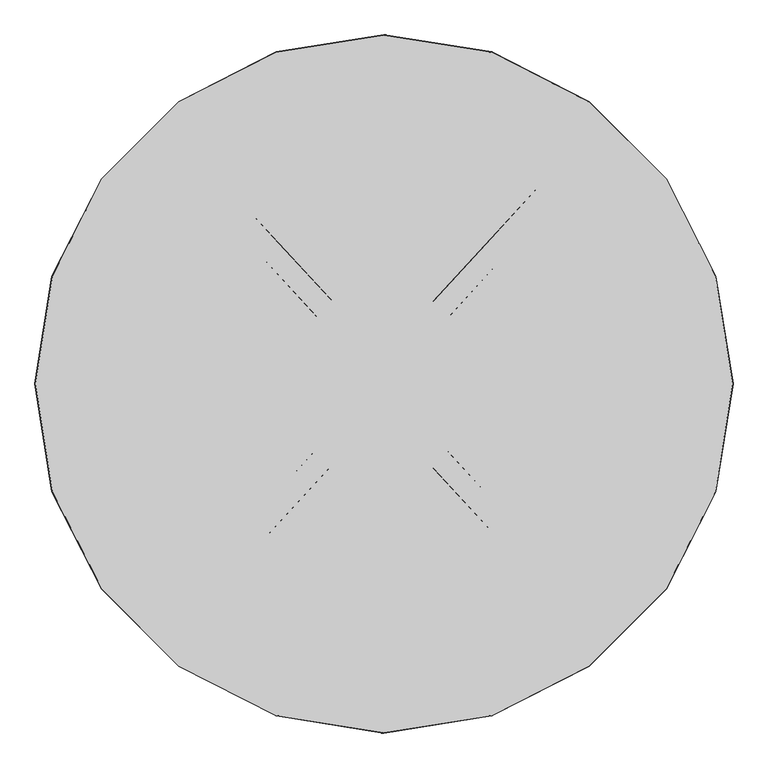
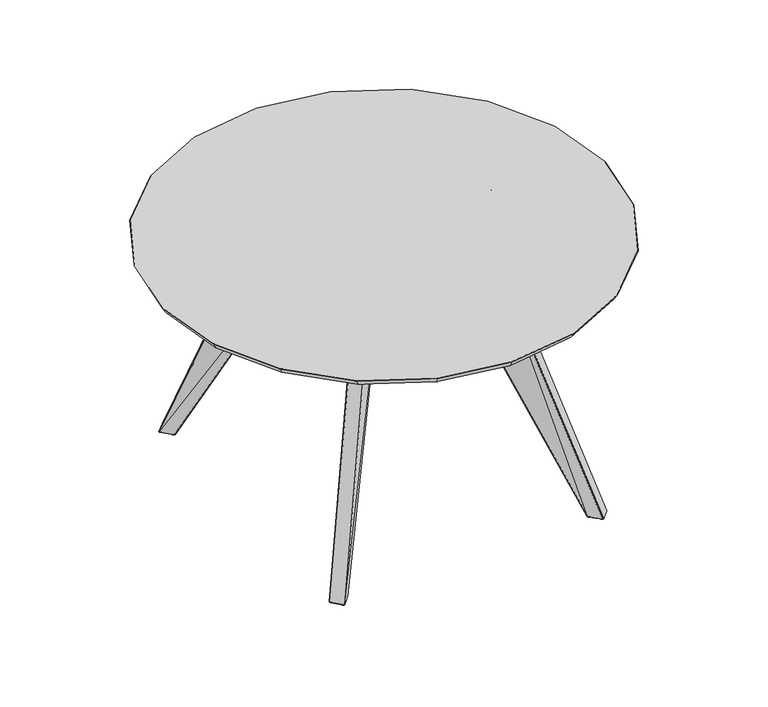
"""IFC4 building model written with IfcOpenShell, lengths in millimetres: furniture geometry."""

from ifc_helpers import new_model, si_unit, origin, place, context, project, spatial, triangles, source, transform, mapped, element, save


def furniture_b3282ecd(model_context):
    return source(origin(), model_context, "Body", "Tessellation", [
        triangles([(218.5617864, -104.291463, 682.6421259), (81.3162121, -104.2914721, 682.6421986), (81.3162121, -104.2914721, 684.3689827), (218.5617864, -104.291463, 684.36891), (76.8704169, -109.1340998, 682.6421986), (76.8704351, -255.8863795, 682.6421986), (76.8704351, -255.8863795, 684.3689827), (76.8704169, -109.1340998, 684.3689827), (81.3162211, -260.72898, 682.6421986), (81.3162211, -255.8863795, 681.1887262), (218.5618046, -255.8863432, 681.1886536), (223.0074635, -255.8863432, 682.6421259), (218.5618046, -260.7289618, 682.6421259), (81.3162121, -109.1340998, 681.1887262), (218.5617864, -109.1340817, 681.1886536), (223.0074453, -109.1340817, 682.6421259), (81.3162211, -260.72898, 684.3689827), (81.3162211, -255.8863795, 685.8223824), (223.0074635, -255.8863432, 684.36891), (218.5618046, -255.8863432, 685.8223097), (218.5618046, -260.7289618, 684.36891), (81.3162121, -109.1340998, 685.8223824), (218.5617864, -109.1340817, 685.8223097), (223.0074453, -109.1340817, 684.36891), (-225.2514944, -255.8863977, 681.1887262), (-225.2515125, -109.1341271, 681.1887262), (-88.0058564, -109.134118, 681.1887262), (-88.0058383, -255.8863795, 681.1887262), (-225.2514944, -255.8863977, 685.822455), (-88.0058383, -255.8863795, 685.8223824), (-88.0058564, -109.134118, 685.8223824), (-225.2515125, -109.1341271, 685.822455), (-225.2514944, -260.7290164, 682.6422712), (-88.0058383, -260.72898, 682.6421986), (-88.0058383, -260.72898, 684.3689827), (-225.2514944, -260.7290164, 684.3690554), (-83.5601158, -255.8863795, 682.6421986), (-83.560134, -109.134118, 682.6421986), (-83.560134, -109.134118, 684.3689827), (-83.5601158, -255.8863795, 684.3689827), (-88.0058564, -104.2914903, 682.6421986), (-225.2515125, -104.2915084, 682.6422712), (-225.2515125, -104.2915084, 684.3690554), (-88.0058564, -104.2914903, 684.3689827), (-229.6971896, -109.1341271, 682.6422712), (-229.6971714, -255.8863977, 682.6422712), (-229.6971714, -255.8863977, 684.3690554), (-229.6971896, -109.1341271, 684.3690554), (-225.2515489, 112.8658306, 681.1887262), (-225.2515489, 259.6181103, 681.1887262), (-88.0058837, 259.6181285, 681.1887262), (-88.0058746, 112.8658397, 681.1887262), (-225.2515489, 112.8658306, 685.822455), (-88.0058746, 112.8658397, 685.8223824), (-88.0058837, 259.6181285, 685.8223824), (-225.2515489, 259.6181103, 685.822455), (-225.2515489, 108.023212, 682.6422712), (-88.0058746, 108.0232301, 682.6421986), (-88.0058746, 108.0232301, 684.3689827), (-225.2515489, 108.023212, 684.3690554), (-83.560143, 112.8658397, 682.6421986), (-83.5601612, 259.6181285, 682.6421986), (-83.5601612, 259.6181285, 684.3689827), (-83.560143, 112.8658397, 684.3689827), (-88.0058837, 264.4607471, 682.6421986), (-225.2515489, 264.4607108, 682.6422712), (-225.2515489, 264.4607108, 684.3690554), (-88.0058837, 264.4607471, 684.3689827), (-229.6972259, 259.6181103, 682.6422712), (-229.6972077, 112.8658306, 682.6422712), (-229.6972077, 112.8658306, 684.3690554), (-229.6972259, 259.6181103, 684.3690554), (81.3161939, 112.8658579, 681.1887262), (81.3161848, 259.6181285, 681.1887262), (218.5617319, 259.6181648, 681.1886536), (218.5617501, 112.8658761, 681.1886536), (81.3161939, 112.8658579, 685.8223824), (218.5617501, 112.8658761, 685.8223097), (218.5617319, 259.6181648, 685.8223097), (81.3161848, 259.6181285, 685.8223824), (81.3161939, 108.0232392, 682.6421986), (218.5617501, 108.0232574, 682.6421259), (218.5617501, 108.0232574, 684.36891), (81.3161939, 108.0232392, 684.3689827), (223.007409, 112.8658761, 682.6421259), (223.0073908, 259.6181648, 682.6421259), (223.0073908, 259.6181648, 684.36891), (223.007409, 112.8658761, 684.36891), (218.5617319, 264.4607653, 682.6421259), (81.3161848, 264.4607471, 682.6421986), (81.3161848, 264.4607471, 684.3689827), (218.5617319, 264.4607653, 684.36891), (76.8703897, 259.6181285, 682.6421986), (76.8704078, 112.8658579, 682.6421986), (76.8704078, 112.8658579, 684.3689827), (76.8703897, 259.6181285, 684.3689827), (360.2226345, -391.3841409, -7.58e-05), (386.7160392, -418.8198572, -8.25e-05), (362.0495215, -445.154587, -7.65e-05), (335.3500248, -418.72059, -6.98e-05), (113.1784206, -121.6784377, 681.9963804), (88.2864716, -149.0361519, 681.9963804), (182.5746117, -250.7434703, 681.9963078), (207.2255053, -224.4259634, 681.9963078), (358.5453386, -389.6175336, 1.4253847), (333.6460954, -416.9832324, 1.4253906), (87.664471, -148.3721299, 680.5709587), (112.5636325, -121.0064947, 680.5709587), (333.7435822, -419.5214132, 1.6018948), (360.4468577, -445.7989154, 1.6004874), (181.7628516, -252.3549817, 680.3943707), (87.8941082, -151.0452226, 680.394298), (362.8396623, -445.9041779, 1.5017815), (387.4832162, -419.5941559, 1.5017756), (208.7519201, -226.0896699, 680.4943645), (184.1082935, -252.3996011, 680.4943645), (387.3888906, -417.0330113, 1.6014345), (360.8864385, -389.6901672, 1.6018287), (115.0352749, -121.2157207, 680.3944433), (208.7071917, -223.5881693, 680.3943707), (335.9082756, 415.4114897, -6.64e-05), (361.095619, 444.2698299, -7.25e-05), (385.2723046, 417.4013391, -7.86e-05), (361.0044545, 388.318703, -7.27e-05), (88.305066, 146.3147973, 681.9963804), (113.4207659, 119.2008273, 681.9963804), (206.7932279, 221.9056957, 681.9963078), (182.6324751, 248.7569273, 681.9963078), (334.2864269, 413.584421, 1.425394), (359.4094937, 386.4626753, 1.4253877), (112.8112191, 118.5233523, 680.5709587), (87.6881251, 145.645098, 680.5709587), (361.7397294, 386.5688461, 1.6018914), (385.8637656, 415.6556972, 1.6004847), (208.2726615, 221.0214473, 680.3943707), (115.2652572, 118.7734642, 680.394298), (385.9604167, 418.2620061, 1.5017794), (361.8064041, 445.1054257, 1.5017857), (184.1596893, 250.4197074, 680.4943645), (208.3136111, 223.5762696, 680.4943645), (359.4551305, 445.0027794, 1.6014452), (334.3530653, 416.134556, 1.6018386), (87.8802554, 148.3375027, 680.3944433), (181.863227, 250.3710367, 680.3943707), (-344.5735897, -416.4143354, 9.83e-05), (-369.7608604, -445.2726394, 0.0001045), (-393.9373644, -418.4041122, 0.0001105), (-369.6696959, -389.3214397, 0.0001047), (-96.9698896, -147.3174796, 681.9963804), (-122.0855259, -120.2036004, 681.9963804), (-215.4583058, -222.9084506, 681.9963804), (-191.2974259, -249.7596459, 681.9963804), (-342.9516684, -414.5871214, 1.4255578), (-368.0747352, -387.465412, 1.4255644), (-121.4760064, -119.5260982, 680.5709587), (-96.3530213, -146.6477803, 680.5709587), (-370.4049345, -387.5715829, 1.6020691), (-394.5289707, -416.6582886, 1.6006742), (-216.937685, -222.0241841, 680.3944433), (-123.9300445, -119.776201, 680.3943707), (-394.6256218, -419.2646702, 1.5019689), (-370.4716455, -446.1081988, 1.5019629), (-192.8247309, -251.422426, 680.4945099), (-216.9784892, -224.5789518, 680.4945099), (-368.1203719, -446.0054798, 1.6016213), (-343.0183794, -417.1372564, 1.6020025), (-96.5451335, -149.3401395, 680.3944433), (-190.5283231, -251.3736463, 680.3944433), (-366.6606863, 391.3515847, 0.0001072), (-393.1542, 418.7874101, 0.0001139), (-368.487319, 445.1219582, 0.0001079), (-341.7882219, 418.6882155, 0.0001012), (-119.6160182, 121.6459906, 681.9963804), (-94.7242599, 149.0038319, 681.9963804), (-189.0123364, 250.711114, 681.9963804), (-213.6630847, 224.393498, 681.9963804), (-364.9832814, 389.5850138, 1.4255668), (-340.0842198, 416.9507126, 1.4255607), (-94.1021231, 148.3397373, 680.5709587), (-119.001212, 120.9741293, 680.5710314), (-340.1816339, 419.4890024, 1.602065), (-366.8849822, 445.7664319, 1.6006709), (-188.2004674, 252.3226436, 680.3944433), (-94.3316422, 151.0128209, 680.394298), (-369.2776414, 445.8716217, 1.5019662), (-393.9211226, 419.5617087, 1.5019723), (-215.189554, 226.0571501, 680.4945099), (-190.5459093, 252.3672629, 680.4945099), (-393.8268333, 417.0006005, 1.6016312), (-367.3244539, 389.6576474, 1.6020119), (-121.4729815, 121.1833462, 680.3944433), (-215.144862, 223.555813, 680.3944433), (-329.9227035, -97.9863519, 657.8562841), (-329.9227035, -64.8861239, 657.8562841), (331.1332037, -64.8860649, 657.8561388), (331.1332037, -97.9862974, 657.8561388), (-343.2246895, -97.9863519, 685.3208868), (343.6195055, -97.9862883, 685.3208141), (343.6195055, -64.8860694, 685.3208141), (-343.2246895, -64.8861284, 685.3208868), (-330.3181008, -99.4154071, 658.8484474), (331.5089802, -99.4153435, 658.8483747), (343.0930841, -99.4153435, 684.3285055), (-342.6589537, -99.4154071, 684.3286509), (332.871724, -97.9862974, 658.7944536), (332.871724, -64.8860649, 658.7944536), (344.5050256, -64.8860694, 684.3824993), (344.5050256, -97.9862883, 684.3824993), (331.5089802, -63.4570051, 658.8483747), (-330.3181008, -63.4570642, 658.8484474), (-342.6589537, -63.4570642, 684.3286509), (343.0930841, -63.4570051, 684.3285055), (-331.6858953, -64.8861239, 658.7879133), (-331.6858953, -97.9863519, 658.7879133), (-344.0854654, -97.9863519, 684.389185), (-344.0854654, -64.8861284, 684.389185), (-329.9227035, 66.6323155, 657.8562841), (-329.9227035, 99.732548, 657.8562841), (331.1332037, 99.7326116, 657.8561388), (331.1332037, 66.6323745, 657.8561388), (-343.2246895, 66.6323155, 685.3208868), (343.6195055, 66.6323745, 685.3208141), (343.6195055, 99.7326116, 685.3208141), (-343.2246895, 99.732548, 685.3208868), (-330.3181008, 65.2032648, 658.8484474), (331.5089802, 65.2033238, 658.8483747), (343.0930841, 65.2033238, 684.3285055), (-342.6589537, 65.2032648, 684.3286509), (332.871724, 66.6323745, 658.7944536), (332.871724, 99.7326116, 658.7944536), (344.5050256, 99.7326116, 684.3824993), (344.5050256, 66.6323745, 684.3824993), (331.5089802, 101.1616759, 658.8483747), (-330.3181008, 101.1616123, 658.8484474), (-342.6589537, 101.1616123, 684.3286509), (343.0930841, 101.1616759, 684.3285055), (-331.6858953, 99.732548, 658.7879133), (-331.6858953, 66.6323155, 658.7879133), (-344.0854654, 66.6323155, 684.389185), (-344.0854654, 99.732548, 684.389185), (614.4984655, 5.09e-05, 688.5146599), (584.4227577, 189.8904805, 688.5147326), (594.4105928, 193.1356858, 704.5823565), (625.0001501, 5.13e-05, 704.5822838), (497.139677, 361.1931058, 688.5147326), (505.6357427, 367.3658758, 704.5823565), (361.1932148, 497.1396043, 688.5148052), (367.3659122, 505.6357427, 704.5824291), (189.8904987, 584.4226487, 688.5148052), (193.1357403, 594.4104112, 704.5824291), (8.55e-05, 614.4983202, 688.5148052), (8.48e-05, 625.0000774, 704.5824291), (-189.890317, 584.422576, 688.5148779), (-193.1355586, 594.4103748, 704.5825018), (-361.1929241, 497.1395316, 688.5149506), (-367.3656941, 505.6356337, 704.5825745), (-497.1394589, 361.1929968, 688.5149506), (-505.635561, 367.3657305, 704.5825745), (-584.4225397, 189.8902443, 688.5149506), (-594.4103022, 193.1354496, 704.5825745), (-614.4981022, -0.0002591, 688.5150232), (-624.9998594, -0.0002641, 704.5826471), (-584.422358, -189.8907349, 688.5149506), (-594.4100478, -193.1359765, 704.5825745), (-497.1391683, -361.1933601, 688.5149506), (-505.6351976, -367.3661665, 704.5825745), (-361.1925244, -497.1398586, 688.5148779), (-367.3652581, -505.6359607, 704.5825018), (-189.8896811, -584.4227214, 688.5148779), (-193.1349046, -594.4105565, 704.5825018), (0.0008175, -614.4983202, 688.5148052), (0.0008298, -625.0000048, 704.5824291), (189.8913162, -584.4222854, 688.5148052), (193.1365215, -594.4101205, 704.5824291), (361.1938688, -497.1391683, 688.5147326), (367.3666752, -505.635125, 704.5823565), (497.1401856, -361.1923428, 688.5147326), (505.6363967, -367.3650764, 704.5823565), (584.4230121, -189.8895176, 688.5147326), (594.4108472, -193.1347047, 704.5823565), (624.5469801, 5.14e-05, 705.420096), (593.9794782, 192.9956144, 705.4201687), (0.0003309, 5.77e-05, 705.4202414), (505.2690499, 367.0994677, 705.4201687), (367.099504, 505.2689773, 705.4201687), (192.9956689, 593.9792965, 705.4201687), (8.5e-05, 624.5467621, 705.4202414), (-192.9954872, 593.9792238, 705.420314), (-367.0992133, 505.2688683, 705.4203867), (-505.2688683, 367.0993223, 705.4203867), (-593.9791875, 192.9953782, 705.4203867), (-624.5466167, -0.0002638, 705.4204594), (-593.9790058, -192.9958869, 705.4203867), (-505.2685049, -367.099722, 705.4203867), (-367.0987773, -505.2693043, 705.420314), (-192.994815, -593.9794055, 705.420314), (0.00083, -624.5467621, 705.4202414), (192.9964501, -593.9790785, 705.4201687), (367.1002307, -505.2684686, 705.4201687), (505.2696313, -367.098632, 705.4201687), (593.9797325, -192.9946333, 705.4201687), (582.9501005, 189.4119305, 687.6769203), (612.9499409, 5.09e-05, 687.6768476), (-0.0127325, -0.0094375, 687.676993), (495.8869555, 360.2828779, 687.6769203), (360.2829869, 495.8868828, 687.676993), (189.4120214, 582.9499188, 687.676993), (8.54e-05, 612.9498682, 687.676993), (-189.4118033, 582.9498825, 687.6770657), (-360.2826962, 495.8868464, 687.6771383), (-495.8867011, 360.2827689, 687.6771383), (-582.9498098, 189.4117307, 687.6771383), (-612.9496502, -0.0002584, 687.677211), (-582.9496282, -189.4122212, 687.6771383), (-495.8863741, -360.2832049, 687.6771383), (-360.2823329, -495.8871371, 687.6770657), (-189.4111856, -582.9500642, 687.6770657), (0.0008153, -612.9497955, 687.676993), (189.4127662, -582.9497008, 687.676993), (360.2836773, -495.8863741, 687.6769203), (495.8875005, -360.2821876, 687.6769203), (582.9503549, -189.4110221, 687.6769203)], [[1, 2, 3], [3, 4, 1], [5, 6, 7], [7, 8, 5], [9, 6, 10], [11, 12, 13], [5, 2, 14], [15, 1, 16], [17, 18, 7], [19, 20, 21], [8, 22, 3], [4, 23, 24], [10, 6, 5], [5, 14, 10], [14, 2, 1], [1, 15, 14], [15, 16, 12], [12, 11, 15], [11, 13, 9], [9, 10, 11], [18, 17, 21], [21, 20, 18], [20, 19, 24], [24, 23, 20], [23, 4, 3], [3, 22, 23], [22, 8, 7], [7, 18, 22], [13, 12, 19], [19, 21, 13], [17, 7, 6], [6, 9, 17], [16, 1, 4], [4, 24, 16], [2, 5, 8], [8, 3, 2], [25, 26, 27], [27, 28, 25], [29, 30, 31], [31, 32, 29], [33, 34, 35], [35, 36, 33], [37, 38, 39], [39, 40, 37], [41, 42, 43], [43, 44, 41], [45, 46, 47], [47, 48, 45], [33, 46, 25], [28, 37, 34], [45, 42, 26], [27, 41, 38], [36, 29, 47], [40, 30, 35], [48, 32, 43], [44, 31, 39], [25, 46, 45], [45, 26, 25], [26, 42, 41], [41, 27, 26], [27, 38, 37], [37, 28, 27], [28, 34, 33], [33, 25, 28], [29, 36, 35], [35, 30, 29], [30, 40, 39], [39, 31, 30], [31, 44, 43], [43, 32, 31], [32, 48, 47], [47, 29, 32], [34, 37, 40], [40, 35, 34], [36, 47, 46], [46, 33, 36], [38, 41, 44], [44, 39, 38], [42, 45, 48], [48, 43, 42], [49, 50, 51], [51, 52, 49], [53, 54, 55], [55, 56, 53], [57, 58, 59], [59, 60, 57], [61, 62, 63], [63, 64, 61], [65, 66, 67], [67, 68, 65], [69, 70, 71], [71, 72, 69], [57, 70, 49], [52, 61, 58], [69, 66, 50], [51, 65, 62], [60, 53, 71], [64, 54, 59], [72, 56, 67], [68, 55, 63], [49, 70, 69], [69, 50, 49], [50, 66, 65], [65, 51, 50], [51, 62, 61], [61, 52, 51], [52, 58, 57], [57, 49, 52], [53, 60, 59], [59, 54, 53], [54, 64, 63], [63, 55, 54], [55, 68, 67], [67, 56, 55], [56, 72, 71], [71, 53, 56], [58, 61, 64], [64, 59, 58], [60, 71, 70], [70, 57, 60], [62, 65, 68], [68, 63, 62], [66, 69, 72], [72, 67, 66], [73, 74, 75], [75, 76, 73], [77, 78, 79], [79, 80, 77], [81, 82, 83], [83, 84, 81], [85, 86, 87], [87, 88, 85], [89, 90, 91], [91, 92, 89], [93, 94, 95], [95, 96, 93], [81, 94, 73], [76, 85, 82], [93, 90, 74], [75, 89, 86], [84, 77, 95], [88, 78, 83], [96, 80, 91], [92, 79, 87], [73, 94, 93], [93, 74, 73], [74, 90, 89], [89, 75, 74], [75, 86, 85], [85, 76, 75], [76, 82, 81], [81, 73, 76], [77, 84, 83], [83, 78, 77], [78, 88, 87], [87, 79, 78], [79, 92, 91], [91, 80, 79], [80, 96, 95], [95, 77, 80], [82, 85, 88], [88, 83, 82], [84, 95, 94], [94, 81, 84], [86, 89, 92], [92, 87, 86], [90, 93, 96], [96, 91, 90], [97, 98, 99], [99, 100, 97], [101, 102, 103], [103, 104, 101], [105, 106, 107], [107, 108, 105], [109, 110, 111], [111, 112, 109], [113, 114, 115], [115, 116, 113], [117, 118, 119], [119, 120, 117], [105, 118, 97], [100, 109, 106], [117, 114, 98], [99, 113, 110], [108, 101, 119], [112, 102, 107], [120, 104, 115], [116, 103, 111], [97, 118, 117], [117, 98, 97], [98, 114, 113], [113, 99, 98], [99, 110, 109], [109, 100, 99], [100, 106, 105], [105, 97, 100], [101, 108, 107], [107, 102, 101], [102, 112, 111], [111, 103, 102], [103, 116, 115], [115, 104, 103], [104, 120, 119], [119, 101, 104], [106, 109, 112], [112, 107, 106], [108, 119, 118], [118, 105, 108], [110, 113, 116], [116, 111, 110], [114, 117, 120], [120, 115, 114], [121, 122, 123], [123, 124, 121], [125, 126, 127], [127, 128, 125], [129, 130, 131], [131, 132, 129], [133, 134, 135], [135, 136, 133], [137, 138, 139], [139, 140, 137], [141, 142, 143], [143, 144, 141], [129, 142, 121], [124, 133, 130], [141, 138, 122], [123, 137, 134], [132, 125, 143], [136, 126, 131], [144, 128, 139], [140, 127, 135], [121, 142, 141], [141, 122, 121], [122, 138, 137], [137, 123, 122], [123, 134, 133], [133, 124, 123], [124, 130, 129], [129, 121, 124], [125, 132, 131], [131, 126, 125], [126, 136, 135], [135, 127, 126], [127, 140, 139], [139, 128, 127], [128, 144, 143], [143, 125, 128], [130, 133, 136], [136, 131, 130], [132, 143, 142], [142, 129, 132], [134, 137, 140], [140, 135, 134], [138, 141, 144], [144, 139, 138], [145, 146, 147], [147, 148, 145], [149, 150, 151], [151, 152, 149], [153, 154, 155], [155, 156, 153], [157, 158, 159], [159, 160, 157], [161, 162, 163], [163, 164, 161], [165, 166, 167], [167, 168, 165], [153, 166, 145], [148, 157, 154], [165, 162, 146], [147, 161, 158], [156, 149, 167], [160, 150, 155], [168, 152, 163], [164, 151, 159], [145, 166, 165], [165, 146, 145], [146, 162, 161], [161, 147, 146], [147, 158, 157], [157, 148, 147], [148, 154, 153], [153, 145, 148], [149, 156, 155], [155, 150, 149], [150, 160, 159], [159, 151, 150], [151, 164, 163], [163, 152, 151], [152, 168, 167], [167, 149, 152], [154, 157, 160], [160, 155, 154], [156, 167, 166], [166, 153, 156], [158, 161, 164], [164, 159, 158], [162, 165, 168], [168, 163, 162], [169, 170, 171], [171, 172, 169], [173, 174, 175], [175, 176, 173], [177, 178, 179], [179, 180, 177], [181, 182, 183], [183, 184, 181], [185, 186, 187], [187, 188, 185], [189, 190, 191], [191, 192, 189], [177, 190, 169], [172, 181, 178], [189, 186, 170], [171, 185, 182], [180, 173, 191], [184, 174, 179], [192, 176, 187], [188, 175, 183], [169, 190, 189], [189, 170, 169], [170, 186, 185], [185, 171, 170], [171, 182, 181], [181, 172, 171], [172, 178, 177], [177, 169, 172], [173, 180, 179], [179, 174, 173], [174, 184, 183], [183, 175, 174], [175, 188, 187], [187, 176, 175], [176, 192, 191], [191, 173, 176], [178, 181, 184], [184, 179, 178], [180, 191, 190], [190, 177, 180], [182, 185, 188], [188, 183, 182], [186, 189, 192], [192, 187, 186], [193, 194, 195], [195, 196, 193], [197, 198, 199], [199, 200, 197], [201, 202, 203], [203, 204, 201], [205, 206, 207], [207, 208, 205], [209, 210, 211], [211, 212, 209], [213, 214, 215], [215, 216, 213], [201, 214, 193], [196, 205, 202], [213, 210, 194], [195, 209, 206], [204, 197, 215], [208, 198, 203], [216, 200, 211], [212, 199, 207], [193, 214, 213], [213, 194, 193], [194, 210, 209], [209, 195, 194], [195, 206, 205], [205, 196, 195], [196, 202, 201], [201, 193, 196], [197, 204, 203], [203, 198, 197], [198, 208, 207], [207, 199, 198], [199, 212, 211], [211, 200, 199], [200, 216, 215], [215, 197, 200], [202, 205, 208], [208, 203, 202], [204, 215, 214], [214, 201, 204], [206, 209, 212], [212, 207, 206], [210, 213, 216], [216, 211, 210], [217, 218, 219], [219, 220, 217], [221, 222, 223], [223, 224, 221], [225, 226, 227], [227, 228, 225], [229, 230, 231], [231, 232, 229], [233, 234, 235], [235, 236, 233], [237, 238, 239], [239, 240, 237], [225, 238, 217], [220, 229, 226], [237, 234, 218], [219, 233, 230], [228, 221, 239], [232, 222, 227], [240, 224, 235], [236, 223, 231], [217, 238, 237], [237, 218, 217], [218, 234, 233], [233, 219, 218], [219, 230, 229], [229, 220, 219], [220, 226, 225], [225, 217, 220], [221, 228, 227], [227, 222, 221], [222, 232, 231], [231, 223, 222], [223, 236, 235], [235, 224, 223], [224, 240, 239], [239, 221, 224], [226, 229, 232], [232, 227, 226], [228, 239, 238], [238, 225, 228], [230, 233, 236], [236, 231, 230], [234, 237, 240], [240, 235, 234], [10, 14, 15], [15, 11, 10], [18, 20, 23], [23, 22, 18], [9, 13, 21], [21, 17, 9], [12, 16, 24], [24, 19, 12], [241, 242, 243], [243, 244, 241], [242, 245, 246], [246, 243, 242], [245, 247, 248], [248, 246, 245], [247, 249, 250], [250, 248, 247], [249, 251, 252], [252, 250, 249], [251, 253, 254], [254, 252, 251], [253, 255, 256], [256, 254, 253], [255, 257, 258], [258, 256, 255], [257, 259, 260], [260, 258, 257], [259, 261, 262], [262, 260, 259], [261, 263, 264], [264, 262, 261], [263, 265, 266], [266, 264, 263], [265, 267, 268], [268, 266, 265], [267, 269, 270], [270, 268, 267], [269, 271, 272], [272, 270, 269], [271, 273, 274], [274, 272, 271], [273, 275, 276], [276, 274, 273], [275, 277, 278], [278, 276, 275], [277, 279, 280], [280, 278, 277], [279, 241, 244], [244, 280, 279], [281, 282, 283], [282, 284, 283], [284, 285, 283], [285, 286, 283], [286, 287, 283], [287, 288, 283], [288, 289, 283], [289, 290, 283], [290, 291, 283], [291, 292, 283], [292, 293, 283], [293, 294, 283], [294, 295, 283], [295, 296, 283], [296, 297, 283], [297, 298, 283], [298, 299, 283], [299, 300, 283], [300, 301, 283], [301, 281, 283], [243, 282, 281], [281, 244, 243], [246, 284, 282], [282, 243, 246], [248, 285, 284], [284, 246, 248], [250, 286, 285], [285, 248, 250], [252, 287, 286], [286, 250, 252], [254, 288, 287], [287, 252, 254], [256, 289, 288], [288, 254, 256], [258, 290, 289], [289, 256, 258], [260, 291, 290], [290, 258, 260], [262, 292, 291], [291, 260, 262], [264, 293, 292], [292, 262, 264], [266, 294, 293], [293, 264, 266], [268, 295, 294], [294, 266, 268], [270, 296, 295], [295, 268, 270], [272, 297, 296], [296, 270, 272], [274, 298, 297], [297, 272, 274], [276, 299, 298], [298, 274, 276], [278, 300, 299], [299, 276, 278], [280, 301, 300], [300, 278, 280], [244, 281, 301], [301, 280, 244], [302, 303, 304], [305, 302, 304], [306, 305, 304], [307, 306, 304], [308, 307, 304], [309, 308, 304], [310, 309, 304], [311, 310, 304], [312, 311, 304], [313, 312, 304], [314, 313, 304], [315, 314, 304], [316, 315, 304], [317, 316, 304], [318, 317, 304], [319, 318, 304], [320, 319, 304], [321, 320, 304], [322, 321, 304], [303, 322, 304], [241, 303, 302], [302, 242, 241], [242, 302, 305], [305, 245, 242], [245, 305, 306], [306, 247, 245], [247, 306, 307], [307, 249, 247], [249, 307, 308], [308, 251, 249], [251, 308, 309], [309, 253, 251], [253, 309, 310], [310, 255, 253], [255, 310, 311], [311, 257, 255], [257, 311, 312], [312, 259, 257], [259, 312, 313], [313, 261, 259], [261, 313, 314], [314, 263, 261], [263, 314, 315], [315, 265, 263], [265, 315, 316], [316, 267, 265], [267, 316, 317], [317, 269, 267], [269, 317, 318], [318, 271, 269], [271, 318, 319], [319, 273, 271], [273, 319, 320], [320, 275, 273], [275, 320, 321], [321, 277, 275], [277, 321, 322], [322, 279, 277], [279, 322, 303], [303, 241, 279]]),
    ])


if __name__ == "__main__":
    model = new_model("IFC4")
    model_context = context("Model", 3, world=origin())
    ifc_project = project(units=[si_unit("LENGTHUNIT", "METRE", prefix="MILLI")], contexts=[model_context])
    site = spatial("IfcSite", under=ifc_project)
    building = spatial("IfcBuilding", under=site)
    placement = place(None, origin())
    furniture_shape = furniture_b3282ecd(model_context)
    element("IfcFurniture", 1, at=placement, inside=building, context=model_context, shape_type="MappedRepresentation", body=[
        mapped(furniture_shape, transform((0.0, 0.0, 0.0), x_axis=(1.0, 0.0, 0.0), y_axis=(0.0, 1.0, 0.0), z_axis=(0.0, 0.0, 1.0))),
    ])
    save(model, "model.ifc")
